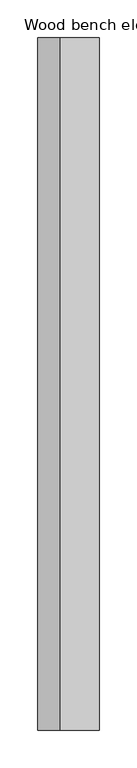
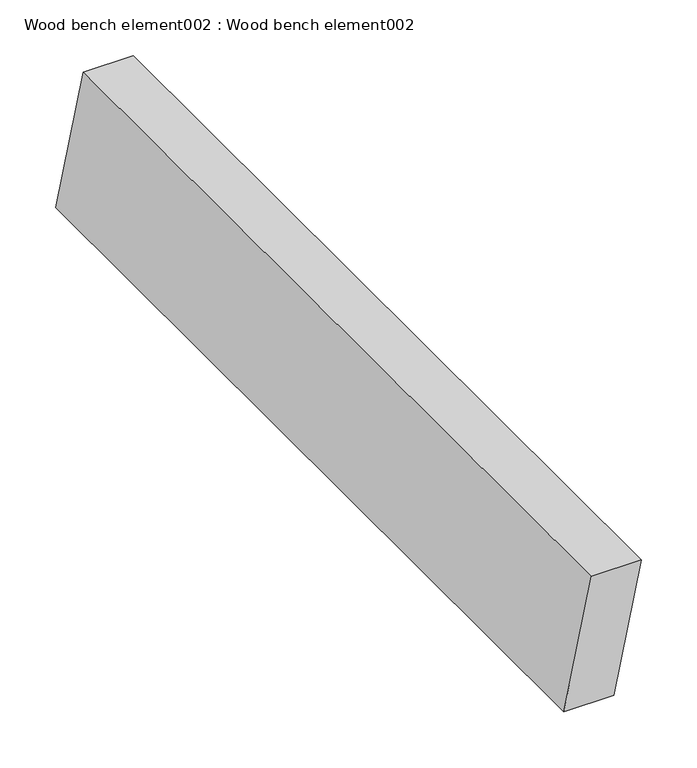
"""IFC4 building model written with IfcOpenShell, lengths in millimetres: proxy geometry, Wood bench element002 : Wood bench element002."""

import ifcopenshell
import ifcopenshell.guid

model = None  # the IFC model being written
_history = None  # IfcOwnerHistory: only IFC2X3 demands one
_inside = {}  # id of a spatial element -> (the spatial element, [elements in it])
_under = {}  # id of a project, library or spatial element -> (it, [spatial elements below it])
_declared = {}  # id of a project -> (the project, [libraries it declares])
_typed = {}  # id of a type object -> (the type object, [elements of that type])
_made_of = {}  # id of a material, layer set ... -> (it, [elements and type objects made of it])


def new_model(schema):
    """Start an empty IFC model of exactly this schema.

    Asked for "IFC4X3", IfcOpenShell would pick the latest addendum, in which some entities
    have other attributes; the version numbers below select the first issue.
    IFC2X3 requires an IfcOwnerHistory on every rooted entity: one is made here for all.
    """
    global model, _history
    if schema == "IFC4X3":
        model = ifcopenshell.file(schema_version=(4, 3, 0, 0))
    else:
        model = ifcopenshell.file(schema=schema)
    _inside.clear()
    _under.clear()
    _declared.clear()
    _typed.clear()
    _made_of.clear()
    _history = None
    if model.schema == "IFC2X3":
        org = make("IfcOrganization", Name="unknown")
        user = make(
            "IfcPersonAndOrganization",
            ThePerson=make("IfcPerson", FamilyName="unknown"),
            TheOrganization=org,
        )
        app = make(
            "IfcApplication",
            ApplicationDeveloper=org,
            Version="unknown",
            ApplicationFullName="unknown",
            ApplicationIdentifier="unknown",
        )
        _history = make(
            "IfcOwnerHistory",
            OwningUser=user,
            OwningApplication=app,
            ChangeAction="ADDED",
            CreationDate=0,
        )
    return model


def make(cls, **values):
    """One entity of the class cls with the attributes given. An attribute that is None is left unset."""
    return model.create_entity(
        cls, **{name: value for name, value in values.items() if value is not None}
    )


def rooted(cls, **values):
    """An entity with a GlobalId (a new one), such as an element, a storey or a relation."""
    return make(cls, GlobalId=ifcopenshell.guid.new(), OwnerHistory=_history, **values)


def si_unit(unit_type, name, prefix=None):
    """IfcSIUnit, for example si_unit("LENGTHUNIT", "METRE", prefix="MILLI")."""
    return make("IfcSIUnit", UnitType=unit_type, Prefix=prefix, Name=name)


def assignment(units):
    """IfcUnitAssignment: the units of a project."""
    return None if units is None else make("IfcUnitAssignment", Units=units)


def point(xyz):
    """IfcCartesianPoint."""
    return None if xyz is None else make("IfcCartesianPoint", Coordinates=xyz)


def direction(xyz):
    """IfcDirection."""
    return None if xyz is None else make("IfcDirection", DirectionRatios=xyz)


def frame(location, z_axis=None, x_axis=None):
    """IfcAxis2Placement3D, a coordinate frame: its origin and axes. An axis left out is left unset."""
    return make(
        "IfcAxis2Placement3D",
        Location=point(location),
        Axis=direction(z_axis),
        RefDirection=direction(x_axis),
    )


def origin():
    """The frame at (0, 0, 0) with its axes left unset."""
    return frame((0.0, 0.0, 0.0))


def place(relative_to, where):
    """IfcLocalPlacement: puts the frame where relative to a parent placement (None: the world)."""
    return make(
        "IfcLocalPlacement", PlacementRelTo=relative_to, RelativePlacement=where
    )


def context(
    kind, dimensions, precision=None, world=None, true_north=None, identifier=None
):
    """IfcGeometricRepresentationContext, for example the 3D "Model" context."""
    return make(
        "IfcGeometricRepresentationContext",
        ContextIdentifier=identifier,
        ContextType=kind,
        CoordinateSpaceDimension=dimensions,
        Precision=precision,
        WorldCoordinateSystem=world,
        TrueNorth=true_north,
    )


def project(units=None, contexts=None):
    """IfcProject with its units and contexts."""
    return rooted(
        "IfcProject",
        Name="project",
        RepresentationContexts=contexts,
        UnitsInContext=assignment(units),
    )


def spatial(cls, under=None, at=None, **own):
    """A site, building, storey or space (cls), placed at a placement, below another one or the project."""
    s = rooted(cls, ObjectPlacement=at, **own)
    if under is not None:
        _under.setdefault(under.id(), (under, []))[1].append(s)
    return s


def polyline(points):
    """IfcPolyline through the points."""
    return make("IfcPolyline", Points=[point(p) for p in points])


def outline(outer, holes=None, kind="AREA"):
    """IfcArbitraryClosedProfileDef: a profile drawn as a closed curve; with holes, ...WithVoids."""
    if holes is None:
        return make("IfcArbitraryClosedProfileDef", ProfileType=kind, OuterCurve=outer)
    return make(
        "IfcArbitraryProfileDefWithVoids",
        ProfileType=kind,
        OuterCurve=outer,
        InnerCurves=holes,
    )


def extrude(swept, where, along, depth):
    """IfcExtrudedAreaSolid: the profile swept, set in the frame where, extruded along a direction by depth."""
    return make(
        "IfcExtrudedAreaSolid",
        SweptArea=swept,
        Position=where,
        ExtrudedDirection=direction(along),
        Depth=depth,
    )


def shape(context_of_items, identifier, shape_type, items):
    """IfcShapeRepresentation: the items that make up one representation, for example the "Body"."""
    return make(
        "IfcShapeRepresentation",
        ContextOfItems=context_of_items,
        RepresentationIdentifier=identifier,
        RepresentationType=shape_type,
        Items=items,
    )


def source(mapping_origin, context_of_items, identifier, shape_type, items):
    """IfcRepresentationMap: a shape defined once, which mapped items show again and again."""
    return make(
        "IfcRepresentationMap",
        MappingOrigin=mapping_origin,
        MappedRepresentation=shape(context_of_items, identifier, shape_type, items),
    )


def transform(
    local_origin,
    x_axis=None,
    y_axis=None,
    z_axis=None,
    scale=None,
    scale2=None,
    scale3=None,
    uniform=True,
):
    """IfcCartesianTransformationOperator3D, or its non-uniform kind. x_axis, y_axis, z_axis: its Axis1, 2, 3."""
    if uniform:
        return make(
            "IfcCartesianTransformationOperator3D",
            Axis1=direction(x_axis),
            Axis2=direction(y_axis),
            LocalOrigin=point(local_origin),
            Scale=scale,
            Axis3=direction(z_axis),
        )
    return make(
        "IfcCartesianTransformationOperator3DnonUniform",
        Axis1=direction(x_axis),
        Axis2=direction(y_axis),
        LocalOrigin=point(local_origin),
        Scale=scale,
        Axis3=direction(z_axis),
        Scale2=scale2,
        Scale3=scale3,
    )


def mapped(mapping_source, mapping_target):
    """IfcMappedItem: shows the shape of a source again, moved by a transform."""
    return make(
        "IfcMappedItem", MappingSource=mapping_source, MappingTarget=mapping_target
    )


def made_of(thing, what):
    """Note that an element or type object is made of a material, layer set ...; save() writes the relation."""
    if what is not None:
        _made_of.setdefault(what.id(), (what, []))[1].append(thing)
    return thing


def element(
    cls,
    number,
    at=None,
    inside=None,
    cuts=None,
    type_object=None,
    material=None,
    context=None,
    identifier="Body",
    shape_type=None,
    held_by="IfcProductDefinitionShape",
    body=None,
    shapes=None,
    **own,
):
    """One element of the class cls, such as IfcWall. Its Tag is "e" and its number.

    at: its placement. inside: the storey or other place that contains it. cuts: it is an
    opening in that element (IfcRelVoidsElement). A single representation is given by context,
    identifier, shape_type and body (its items); several are given by shapes. held_by: the class
    of the entity that holds the representations. save() writes the other relations.
    """
    e = rooted(cls, Tag="e%d" % number, ObjectPlacement=at, **own)
    if body is not None:
        shapes = [shape(context, identifier, shape_type, body)]
    if shapes is not None:
        e.Representation = make(held_by, Representations=shapes)
    if inside is not None:
        _inside.setdefault(inside.id(), (inside, []))[1].append(e)
    if cuts is not None:
        rooted(
            "IfcRelVoidsElement", RelatingBuildingElement=cuts, RelatedOpeningElement=e
        )
    if type_object is not None:
        _typed.setdefault(type_object.id(), (type_object, []))[1].append(e)
    return made_of(e, material)


def aggregate(whole, parts):
    """IfcRelAggregates: a whole, such as a stair, and the parts it consists of."""
    return rooted("IfcRelAggregates", RelatingObject=whole, RelatedObjects=parts)


def save(model, path):
    """Write the relations noted so far, then the file.

    IfcRelAggregates (storeys below a building ...), IfcRelContainedInSpatialStructure (elements
    in a storey), IfcRelDefinesByType, IfcRelAssociatesMaterial and IfcRelDeclares: one each for
    every whole, place, type object, material and project.
    """
    for whole, parts in _under.values():
        aggregate(whole, parts)
    for where, things in _inside.values():
        rooted(
            "IfcRelContainedInSpatialStructure",
            RelatedElements=things,
            RelatingStructure=where,
        )
    for kind, things in _typed.values():
        rooted("IfcRelDefinesByType", RelatedObjects=things, RelatingType=kind)
    for what, things in _made_of.values():
        rooted("IfcRelAssociatesMaterial", RelatedObjects=things, RelatingMaterial=what)
    for by, libraries in _declared.values():
        rooted("IfcRelDeclares", RelatingContext=by, RelatedDefinitions=libraries)
    model.write(path)


def wood_bench_element002_wood_bench_element002_ae758dc0(model_context):
    return source(origin(), model_context, "Body", "SweptSolid", [
        extrude(outline(polyline([(326.584797, 38120.1992627), (326.584797, 38068.3085415), (187.7490572, 38039.3844291), (187.7490572, 38091.2751502), (326.584797, 38120.1992627)])), frame((0.0, -19576.8264268, 0.0), z_axis=(0.0, 1.0, 0.0), x_axis=(0.0, 0.0, 1.0)), (0.0, 0.0, 1.0), 914.4),
    ])


if __name__ == "__main__":
    model = new_model("IFC4")
    model_context = context("Model", 3, world=origin())
    ifc_project = project(units=[si_unit("LENGTHUNIT", "METRE", prefix="MILLI")], contexts=[model_context])
    site = spatial("IfcSite", under=ifc_project)
    building = spatial("IfcBuilding", under=site)
    placement = place(None, origin())
    wood_bench_element002_wood_bench_element002_shape = wood_bench_element002_wood_bench_element002_ae758dc0(model_context)
    element("IfcBuildingElementProxy", 1, Name="Wood bench element002 : Wood bench element002", ObjectType="Wood bench element002 : Wood bench element002", at=placement, inside=building, context=model_context, shape_type="MappedRepresentation", body=[
        mapped(wood_bench_element002_wood_bench_element002_shape, transform((0.0, 0.0, 0.0), x_axis=(1.0, 0.0, 0.0), y_axis=(0.0, 1.0, 0.0), z_axis=(0.0, 0.0, 1.0))),
    ])
    save(model, "model.ifc")
